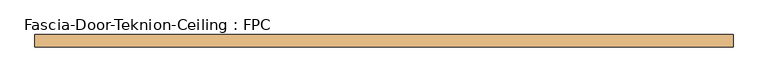
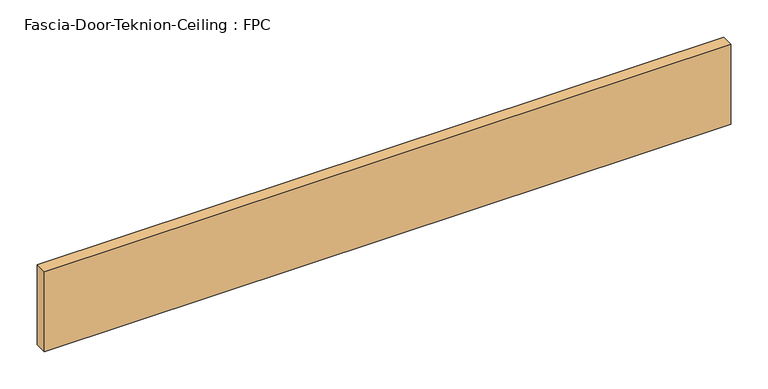
"""IFC4 building model written with IfcOpenShell, lengths in millimetres: door geometry, Fascia-Door-Teknion-Ceiling : FPC."""

import ifcopenshell
import ifcopenshell.guid

model = None  # the IFC model being written
_history = None  # IfcOwnerHistory: only IFC2X3 demands one
_inside = {}  # id of a spatial element -> (the spatial element, [elements in it])
_under = {}  # id of a project, library or spatial element -> (it, [spatial elements below it])
_declared = {}  # id of a project -> (the project, [libraries it declares])
_typed = {}  # id of a type object -> (the type object, [elements of that type])
_made_of = {}  # id of a material, layer set ... -> (it, [elements and type objects made of it])


def new_model(schema):
    """Start an empty IFC model of exactly this schema.

    Asked for "IFC4X3", IfcOpenShell would pick the latest addendum, in which some entities
    have other attributes; the version numbers below select the first issue.
    IFC2X3 requires an IfcOwnerHistory on every rooted entity: one is made here for all.
    """
    global model, _history
    if schema == "IFC4X3":
        model = ifcopenshell.file(schema_version=(4, 3, 0, 0))
    else:
        model = ifcopenshell.file(schema=schema)
    _inside.clear()
    _under.clear()
    _declared.clear()
    _typed.clear()
    _made_of.clear()
    _history = None
    if model.schema == "IFC2X3":
        org = make("IfcOrganization", Name="unknown")
        user = make(
            "IfcPersonAndOrganization",
            ThePerson=make("IfcPerson", FamilyName="unknown"),
            TheOrganization=org,
        )
        app = make(
            "IfcApplication",
            ApplicationDeveloper=org,
            Version="unknown",
            ApplicationFullName="unknown",
            ApplicationIdentifier="unknown",
        )
        _history = make(
            "IfcOwnerHistory",
            OwningUser=user,
            OwningApplication=app,
            ChangeAction="ADDED",
            CreationDate=0,
        )
    return model


def make(cls, **values):
    """One entity of the class cls with the attributes given. An attribute that is None is left unset."""
    return model.create_entity(
        cls, **{name: value for name, value in values.items() if value is not None}
    )


def rooted(cls, **values):
    """An entity with a GlobalId (a new one), such as an element, a storey or a relation."""
    return make(cls, GlobalId=ifcopenshell.guid.new(), OwnerHistory=_history, **values)


def si_unit(unit_type, name, prefix=None):
    """IfcSIUnit, for example si_unit("LENGTHUNIT", "METRE", prefix="MILLI")."""
    return make("IfcSIUnit", UnitType=unit_type, Prefix=prefix, Name=name)


def assignment(units):
    """IfcUnitAssignment: the units of a project."""
    return None if units is None else make("IfcUnitAssignment", Units=units)


def point(xyz):
    """IfcCartesianPoint."""
    return None if xyz is None else make("IfcCartesianPoint", Coordinates=xyz)


def direction(xyz):
    """IfcDirection."""
    return None if xyz is None else make("IfcDirection", DirectionRatios=xyz)


def frame(location, z_axis=None, x_axis=None):
    """IfcAxis2Placement3D, a coordinate frame: its origin and axes. An axis left out is left unset."""
    return make(
        "IfcAxis2Placement3D",
        Location=point(location),
        Axis=direction(z_axis),
        RefDirection=direction(x_axis),
    )


def origin():
    """The frame at (0, 0, 0) with its axes left unset."""
    return frame((0.0, 0.0, 0.0))


def origin_with_axes():
    """The frame at (0, 0, 0) with the z axis (0, 0, 1) and the x axis (1, 0, 0) written out."""
    return frame((0.0, 0.0, 0.0), z_axis=(0.0, 0.0, 1.0), x_axis=(1.0, 0.0, 0.0))


def place(relative_to, where):
    """IfcLocalPlacement: puts the frame where relative to a parent placement (None: the world)."""
    return make(
        "IfcLocalPlacement", PlacementRelTo=relative_to, RelativePlacement=where
    )


def context(
    kind, dimensions, precision=None, world=None, true_north=None, identifier=None
):
    """IfcGeometricRepresentationContext, for example the 3D "Model" context."""
    return make(
        "IfcGeometricRepresentationContext",
        ContextIdentifier=identifier,
        ContextType=kind,
        CoordinateSpaceDimension=dimensions,
        Precision=precision,
        WorldCoordinateSystem=world,
        TrueNorth=true_north,
    )


def project(units=None, contexts=None):
    """IfcProject with its units and contexts."""
    return rooted(
        "IfcProject",
        Name="project",
        RepresentationContexts=contexts,
        UnitsInContext=assignment(units),
    )


def spatial(cls, under=None, at=None, **own):
    """A site, building, storey or space (cls), placed at a placement, below another one or the project."""
    s = rooted(cls, ObjectPlacement=at, **own)
    if under is not None:
        _under.setdefault(under.id(), (under, []))[1].append(s)
    return s


def polyline(points):
    """IfcPolyline through the points."""
    return make("IfcPolyline", Points=[point(p) for p in points])


def outline(outer, holes=None, kind="AREA"):
    """IfcArbitraryClosedProfileDef: a profile drawn as a closed curve; with holes, ...WithVoids."""
    if holes is None:
        return make("IfcArbitraryClosedProfileDef", ProfileType=kind, OuterCurve=outer)
    return make(
        "IfcArbitraryProfileDefWithVoids",
        ProfileType=kind,
        OuterCurve=outer,
        InnerCurves=holes,
    )


def extrude(swept, where, along, depth):
    """IfcExtrudedAreaSolid: the profile swept, set in the frame where, extruded along a direction by depth."""
    return make(
        "IfcExtrudedAreaSolid",
        SweptArea=swept,
        Position=where,
        ExtrudedDirection=direction(along),
        Depth=depth,
    )


def shape(context_of_items, identifier, shape_type, items):
    """IfcShapeRepresentation: the items that make up one representation, for example the "Body"."""
    return make(
        "IfcShapeRepresentation",
        ContextOfItems=context_of_items,
        RepresentationIdentifier=identifier,
        RepresentationType=shape_type,
        Items=items,
    )


def source(mapping_origin, context_of_items, identifier, shape_type, items):
    """IfcRepresentationMap: a shape defined once, which mapped items show again and again."""
    return make(
        "IfcRepresentationMap",
        MappingOrigin=mapping_origin,
        MappedRepresentation=shape(context_of_items, identifier, shape_type, items),
    )


def transform(
    local_origin,
    x_axis=None,
    y_axis=None,
    z_axis=None,
    scale=None,
    scale2=None,
    scale3=None,
    uniform=True,
):
    """IfcCartesianTransformationOperator3D, or its non-uniform kind. x_axis, y_axis, z_axis: its Axis1, 2, 3."""
    if uniform:
        return make(
            "IfcCartesianTransformationOperator3D",
            Axis1=direction(x_axis),
            Axis2=direction(y_axis),
            LocalOrigin=point(local_origin),
            Scale=scale,
            Axis3=direction(z_axis),
        )
    return make(
        "IfcCartesianTransformationOperator3DnonUniform",
        Axis1=direction(x_axis),
        Axis2=direction(y_axis),
        LocalOrigin=point(local_origin),
        Scale=scale,
        Axis3=direction(z_axis),
        Scale2=scale2,
        Scale3=scale3,
    )


def mapped(mapping_source, mapping_target):
    """IfcMappedItem: shows the shape of a source again, moved by a transform."""
    return make(
        "IfcMappedItem", MappingSource=mapping_source, MappingTarget=mapping_target
    )


def made_of(thing, what):
    """Note that an element or type object is made of a material, layer set ...; save() writes the relation."""
    if what is not None:
        _made_of.setdefault(what.id(), (what, []))[1].append(thing)
    return thing


def element(
    cls,
    number,
    at=None,
    inside=None,
    cuts=None,
    type_object=None,
    material=None,
    context=None,
    identifier="Body",
    shape_type=None,
    held_by="IfcProductDefinitionShape",
    body=None,
    shapes=None,
    **own,
):
    """One element of the class cls, such as IfcWall. Its Tag is "e" and its number.

    at: its placement. inside: the storey or other place that contains it. cuts: it is an
    opening in that element (IfcRelVoidsElement). A single representation is given by context,
    identifier, shape_type and body (its items); several are given by shapes. held_by: the class
    of the entity that holds the representations. save() writes the other relations.
    """
    e = rooted(cls, Tag="e%d" % number, ObjectPlacement=at, **own)
    if body is not None:
        shapes = [shape(context, identifier, shape_type, body)]
    if shapes is not None:
        e.Representation = make(held_by, Representations=shapes)
    if inside is not None:
        _inside.setdefault(inside.id(), (inside, []))[1].append(e)
    if cuts is not None:
        rooted(
            "IfcRelVoidsElement", RelatingBuildingElement=cuts, RelatedOpeningElement=e
        )
    if type_object is not None:
        _typed.setdefault(type_object.id(), (type_object, []))[1].append(e)
    return made_of(e, material)


def aggregate(whole, parts):
    """IfcRelAggregates: a whole, such as a stair, and the parts it consists of."""
    return rooted("IfcRelAggregates", RelatingObject=whole, RelatedObjects=parts)


def save(model, path):
    """Write the relations noted so far, then the file.

    IfcRelAggregates (storeys below a building ...), IfcRelContainedInSpatialStructure (elements
    in a storey), IfcRelDefinesByType, IfcRelAssociatesMaterial and IfcRelDeclares: one each for
    every whole, place, type object, material and project.
    """
    for whole, parts in _under.values():
        aggregate(whole, parts)
    for where, things in _inside.values():
        rooted(
            "IfcRelContainedInSpatialStructure",
            RelatedElements=things,
            RelatingStructure=where,
        )
    for kind, things in _typed.values():
        rooted("IfcRelDefinesByType", RelatedObjects=things, RelatingType=kind)
    for what, things in _made_of.values():
        rooted("IfcRelAssociatesMaterial", RelatedObjects=things, RelatingMaterial=what)
    for by, libraries in _declared.values():
        rooted("IfcRelDeclares", RelatingContext=by, RelatedDefinitions=libraries)
    model.write(path)


def fascia_door_teknion_ceiling_fpc_77f6f4b8(model_context):
    return source(origin(), model_context, "Body", "SweptSolid", [
        extrude(outline(polyline([(534.0201172, 0.0), (-534.0201172, 0.0), (-534.0201172, 19.05), (534.0201172, 19.05), (534.0201172, 0.0)])), origin_with_axes(), (0.0, 0.0, 1.0), 132.08),
    ])


if __name__ == "__main__":
    model = new_model("IFC4")
    model_context = context("Model", 3, world=origin())
    ifc_project = project(units=[si_unit("LENGTHUNIT", "METRE", prefix="MILLI")], contexts=[model_context])
    site = spatial("IfcSite", under=ifc_project)
    building = spatial("IfcBuilding", under=site)
    placement = place(None, origin())
    fascia_door_teknion_ceiling_fpc_shape = fascia_door_teknion_ceiling_fpc_77f6f4b8(model_context)
    element("IfcDoor", 1, ObjectType="Fascia-Door-Teknion-Ceiling : FPC", at=placement, inside=building, context=model_context, shape_type="MappedRepresentation", body=[
        mapped(fascia_door_teknion_ceiling_fpc_shape, transform((0.0, 0.0, 0.0), x_axis=(1.0, 0.0, 0.0), y_axis=(0.0, 1.0, 0.0), z_axis=(0.0, 0.0, 1.0))),
    ])
    save(model, "model.ifc")
